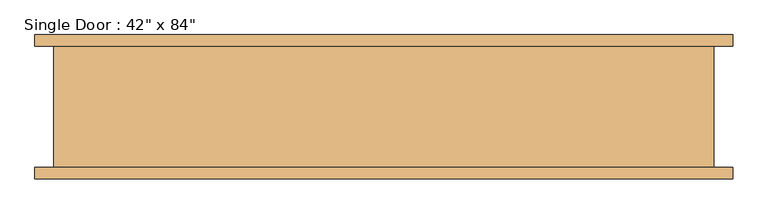
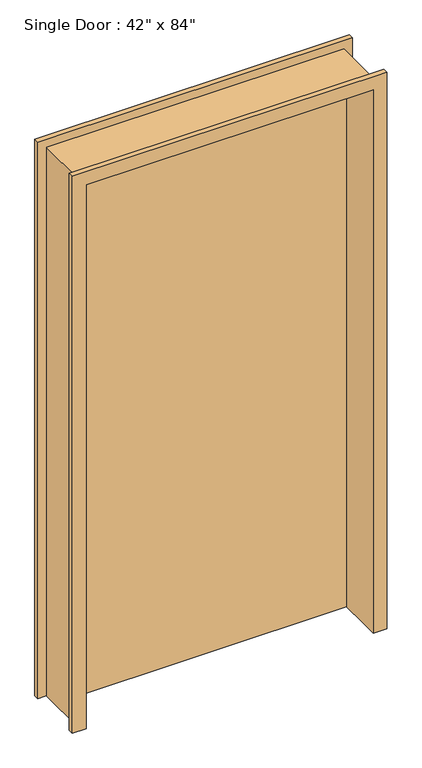
"""IFC4 building model written with IfcOpenShell, lengths in millimetres: door geometry."""

import ifcopenshell
import ifcopenshell.guid

model = None  # the IFC model being written
_history = None  # IfcOwnerHistory: only IFC2X3 demands one
_inside = {}  # id of a spatial element -> (the spatial element, [elements in it])
_under = {}  # id of a project, library or spatial element -> (it, [spatial elements below it])
_declared = {}  # id of a project -> (the project, [libraries it declares])
_typed = {}  # id of a type object -> (the type object, [elements of that type])
_made_of = {}  # id of a material, layer set ... -> (it, [elements and type objects made of it])


def new_model(schema):
    """Start an empty IFC model of exactly this schema.

    Asked for "IFC4X3", IfcOpenShell would pick the latest addendum, in which some entities
    have other attributes; the version numbers below select the first issue.
    IFC2X3 requires an IfcOwnerHistory on every rooted entity: one is made here for all.
    """
    global model, _history
    if schema == "IFC4X3":
        model = ifcopenshell.file(schema_version=(4, 3, 0, 0))
    else:
        model = ifcopenshell.file(schema=schema)
    _inside.clear()
    _under.clear()
    _declared.clear()
    _typed.clear()
    _made_of.clear()
    _history = None
    if model.schema == "IFC2X3":
        org = make("IfcOrganization", Name="unknown")
        user = make(
            "IfcPersonAndOrganization",
            ThePerson=make("IfcPerson", FamilyName="unknown"),
            TheOrganization=org,
        )
        app = make(
            "IfcApplication",
            ApplicationDeveloper=org,
            Version="unknown",
            ApplicationFullName="unknown",
            ApplicationIdentifier="unknown",
        )
        _history = make(
            "IfcOwnerHistory",
            OwningUser=user,
            OwningApplication=app,
            ChangeAction="ADDED",
            CreationDate=0,
        )
    return model


def make(cls, **values):
    """One entity of the class cls with the attributes given. An attribute that is None is left unset."""
    return model.create_entity(
        cls, **{name: value for name, value in values.items() if value is not None}
    )


def rooted(cls, **values):
    """An entity with a GlobalId (a new one), such as an element, a storey or a relation."""
    return make(cls, GlobalId=ifcopenshell.guid.new(), OwnerHistory=_history, **values)


def si_unit(unit_type, name, prefix=None):
    """IfcSIUnit, for example si_unit("LENGTHUNIT", "METRE", prefix="MILLI")."""
    return make("IfcSIUnit", UnitType=unit_type, Prefix=prefix, Name=name)


def assignment(units):
    """IfcUnitAssignment: the units of a project."""
    return None if units is None else make("IfcUnitAssignment", Units=units)


def point(xyz):
    """IfcCartesianPoint."""
    return None if xyz is None else make("IfcCartesianPoint", Coordinates=xyz)


def direction(xyz):
    """IfcDirection."""
    return None if xyz is None else make("IfcDirection", DirectionRatios=xyz)


def frame(location, z_axis=None, x_axis=None):
    """IfcAxis2Placement3D, a coordinate frame: its origin and axes. An axis left out is left unset."""
    return make(
        "IfcAxis2Placement3D",
        Location=point(location),
        Axis=direction(z_axis),
        RefDirection=direction(x_axis),
    )


def origin():
    """The frame at (0, 0, 0) with its axes left unset."""
    return frame((0.0, 0.0, 0.0))


def origin_with_axes():
    """The frame at (0, 0, 0) with the z axis (0, 0, 1) and the x axis (1, 0, 0) written out."""
    return frame((0.0, 0.0, 0.0), z_axis=(0.0, 0.0, 1.0), x_axis=(1.0, 0.0, 0.0))


def place(relative_to, where):
    """IfcLocalPlacement: puts the frame where relative to a parent placement (None: the world)."""
    return make(
        "IfcLocalPlacement", PlacementRelTo=relative_to, RelativePlacement=where
    )


def context(
    kind, dimensions, precision=None, world=None, true_north=None, identifier=None
):
    """IfcGeometricRepresentationContext, for example the 3D "Model" context."""
    return make(
        "IfcGeometricRepresentationContext",
        ContextIdentifier=identifier,
        ContextType=kind,
        CoordinateSpaceDimension=dimensions,
        Precision=precision,
        WorldCoordinateSystem=world,
        TrueNorth=true_north,
    )


def project(units=None, contexts=None):
    """IfcProject with its units and contexts."""
    return rooted(
        "IfcProject",
        Name="project",
        RepresentationContexts=contexts,
        UnitsInContext=assignment(units),
    )


def spatial(cls, under=None, at=None, **own):
    """A site, building, storey or space (cls), placed at a placement, below another one or the project."""
    s = rooted(cls, ObjectPlacement=at, **own)
    if under is not None:
        _under.setdefault(under.id(), (under, []))[1].append(s)
    return s


def polyline(points):
    """IfcPolyline through the points."""
    return make("IfcPolyline", Points=[point(p) for p in points])


def outline(outer, holes=None, kind="AREA"):
    """IfcArbitraryClosedProfileDef: a profile drawn as a closed curve; with holes, ...WithVoids."""
    if holes is None:
        return make("IfcArbitraryClosedProfileDef", ProfileType=kind, OuterCurve=outer)
    return make(
        "IfcArbitraryProfileDefWithVoids",
        ProfileType=kind,
        OuterCurve=outer,
        InnerCurves=holes,
    )


def extrude(swept, where, along, depth):
    """IfcExtrudedAreaSolid: the profile swept, set in the frame where, extruded along a direction by depth."""
    return make(
        "IfcExtrudedAreaSolid",
        SweptArea=swept,
        Position=where,
        ExtrudedDirection=direction(along),
        Depth=depth,
    )


def faces_of(points, faces, orient=None, outer=None):
    """IfcFace entities. A face is a list of loops; a loop is a list of indices into points, from 0.

    orient and outer hold one flag for each loop. By default every Orientation is true, the
    first loop of a face is its IfcFaceOuterBound and the others are IfcFaceBound.
    """
    made = []
    for i, loops in enumerate(faces):
        bounds = []
        for j, loop in enumerate(loops):
            is_outer = j == 0 if outer is None else outer[i][j]
            bounds.append(
                make(
                    "IfcFaceOuterBound" if is_outer else "IfcFaceBound",
                    Bound=make("IfcPolyLoop", Polygon=[points[k] for k in loop]),
                    Orientation=True if orient is None else orient[i][j],
                )
            )
        made.append(make("IfcFace", Bounds=bounds))
    return made


def faceted_brep(points, faces, orient=None, outer=None, voids=None):
    """IfcFacetedBrep: a solid bounded by flat faces; with voids (closed shells), ...WithVoids."""
    shared = [point(p) for p in points]
    hull = make("IfcClosedShell", CfsFaces=faces_of(shared, faces, orient, outer))
    if voids is None:
        return make("IfcFacetedBrep", Outer=hull)
    return make(
        "IfcFacetedBrepWithVoids",
        Outer=hull,
        Voids=[
            make(cls, CfsFaces=faces_of(shared, fs, o, b)) for cls, fs, o, b in voids
        ],
    )


def shape(context_of_items, identifier, shape_type, items):
    """IfcShapeRepresentation: the items that make up one representation, for example the "Body"."""
    return make(
        "IfcShapeRepresentation",
        ContextOfItems=context_of_items,
        RepresentationIdentifier=identifier,
        RepresentationType=shape_type,
        Items=items,
    )


def source(mapping_origin, context_of_items, identifier, shape_type, items):
    """IfcRepresentationMap: a shape defined once, which mapped items show again and again."""
    return make(
        "IfcRepresentationMap",
        MappingOrigin=mapping_origin,
        MappedRepresentation=shape(context_of_items, identifier, shape_type, items),
    )


def transform(
    local_origin,
    x_axis=None,
    y_axis=None,
    z_axis=None,
    scale=None,
    scale2=None,
    scale3=None,
    uniform=True,
):
    """IfcCartesianTransformationOperator3D, or its non-uniform kind. x_axis, y_axis, z_axis: its Axis1, 2, 3."""
    if uniform:
        return make(
            "IfcCartesianTransformationOperator3D",
            Axis1=direction(x_axis),
            Axis2=direction(y_axis),
            LocalOrigin=point(local_origin),
            Scale=scale,
            Axis3=direction(z_axis),
        )
    return make(
        "IfcCartesianTransformationOperator3DnonUniform",
        Axis1=direction(x_axis),
        Axis2=direction(y_axis),
        LocalOrigin=point(local_origin),
        Scale=scale,
        Axis3=direction(z_axis),
        Scale2=scale2,
        Scale3=scale3,
    )


def mapped(mapping_source, mapping_target):
    """IfcMappedItem: shows the shape of a source again, moved by a transform."""
    return make(
        "IfcMappedItem", MappingSource=mapping_source, MappingTarget=mapping_target
    )


def made_of(thing, what):
    """Note that an element or type object is made of a material, layer set ...; save() writes the relation."""
    if what is not None:
        _made_of.setdefault(what.id(), (what, []))[1].append(thing)
    return thing


def element(
    cls,
    number,
    at=None,
    inside=None,
    cuts=None,
    type_object=None,
    material=None,
    context=None,
    identifier="Body",
    shape_type=None,
    held_by="IfcProductDefinitionShape",
    body=None,
    shapes=None,
    **own,
):
    """One element of the class cls, such as IfcWall. Its Tag is "e" and its number.

    at: its placement. inside: the storey or other place that contains it. cuts: it is an
    opening in that element (IfcRelVoidsElement). A single representation is given by context,
    identifier, shape_type and body (its items); several are given by shapes. held_by: the class
    of the entity that holds the representations. save() writes the other relations.
    """
    e = rooted(cls, Tag="e%d" % number, ObjectPlacement=at, **own)
    if body is not None:
        shapes = [shape(context, identifier, shape_type, body)]
    if shapes is not None:
        e.Representation = make(held_by, Representations=shapes)
    if inside is not None:
        _inside.setdefault(inside.id(), (inside, []))[1].append(e)
    if cuts is not None:
        rooted(
            "IfcRelVoidsElement", RelatingBuildingElement=cuts, RelatedOpeningElement=e
        )
    if type_object is not None:
        _typed.setdefault(type_object.id(), (type_object, []))[1].append(e)
    return made_of(e, material)


def aggregate(whole, parts):
    """IfcRelAggregates: a whole, such as a stair, and the parts it consists of."""
    return rooted("IfcRelAggregates", RelatingObject=whole, RelatedObjects=parts)


def save(model, path):
    """Write the relations noted so far, then the file.

    IfcRelAggregates (storeys below a building ...), IfcRelContainedInSpatialStructure (elements
    in a storey), IfcRelDefinesByType, IfcRelAssociatesMaterial and IfcRelDeclares: one each for
    every whole, place, type object, material and project.
    """
    for whole, parts in _under.values():
        aggregate(whole, parts)
    for where, things in _inside.values():
        rooted(
            "IfcRelContainedInSpatialStructure",
            RelatedElements=things,
            RelatingStructure=where,
        )
    for kind, things in _typed.values():
        rooted("IfcRelDefinesByType", RelatedObjects=things, RelatingType=kind)
    for what, things in _made_of.values():
        rooted("IfcRelAssociatesMaterial", RelatedObjects=things, RelatingMaterial=what)
    for by, libraries in _declared.values():
        rooted("IfcRelDeclares", RelatingContext=by, RelatedDefinitions=libraries)
    model.write(path)


def door_d8e708ff(model_context):
    return source(origin(), model_context, "Body", "SolidModel", [
        faceted_brep([(-584.2, -101.6, 0.0), (-552.45, -101.6, 0.0), (-552.45, 101.6, 0.0), (-584.2, 101.6, 0.0), (-584.2, 120.65, 0.0), (-533.4, 120.65, 0.0), (-533.4, -120.65, 0.0), (-584.2, -120.65, 0.0), (-584.2, -101.6, 2184.4), (584.2, -101.6, 2184.4), (584.2, -101.6, 0.0), (552.45, -101.6, 0.0), (552.45, -101.6, 2152.65), (-552.45, -101.6, 2152.65), (-552.45, 101.6, 2152.65), (552.45, 101.6, 2152.65), (552.45, 101.6, 0.0), (584.2, 101.6, 0.0), (584.2, 101.6, 2184.4), (-584.2, 101.6, 2184.4), (-584.2, 120.65, 2184.4), (584.2, 120.65, 2184.4), (584.2, 120.65, 0.0), (533.4, 120.65, 0.0), (533.4, 120.65, 2133.6), (-533.4, 120.65, 2133.6), (-533.4, -120.65, 2133.6), (533.4, -120.65, 2133.6), (533.4, -120.65, 0.0), (584.2, -120.65, 0.0), (584.2, -120.65, 2184.4), (-584.2, -120.65, 2184.4)], [[[0, 1, 2, 3, 4, 5, 6, 7]], [[1, 0, 8, 9, 10, 11, 12, 13]], [[2, 1, 13, 14]], [[3, 2, 14, 15, 16, 17, 18, 19]], [[4, 3, 19, 20]], [[5, 4, 20, 21, 22, 23, 24, 25]], [[6, 5, 25, 26]], [[7, 6, 26, 27, 28, 29, 30, 31]], [[0, 7, 31, 8]], [[13, 12, 15, 14]], [[19, 18, 21, 20]], [[25, 24, 27, 26]], [[9, 8, 31, 30]], [[11, 10, 29, 28, 23, 22, 17, 16]], [[12, 11, 16, 15]], [[18, 17, 22, 21]], [[24, 23, 28, 27]], [[10, 9, 30, 29]]]),
        extrude(outline(polyline([(533.4, 50.8), (-533.4, 50.8), (-533.4, 101.6), (533.4, 101.6), (533.4, 50.8)])), origin_with_axes(), (0.0, 0.0, 1.0), 2133.6),
    ])


if __name__ == "__main__":
    model = new_model("IFC4")
    model_context = context("Model", 3, world=origin())
    ifc_project = project(units=[si_unit("LENGTHUNIT", "METRE", prefix="MILLI")], contexts=[model_context])
    site = spatial("IfcSite", under=ifc_project)
    building = spatial("IfcBuilding", under=site)
    placement = place(None, origin())
    door_shape = door_d8e708ff(model_context)
    element("IfcDoor", 1, ObjectType="Single Door : 42\" x 84\"", at=placement, inside=building, context=model_context, shape_type="MappedRepresentation", body=[
        mapped(door_shape, transform((0.0, 0.0, 0.0), x_axis=(1.0, 0.0, 0.0), y_axis=(0.0, 1.0, 0.0), z_axis=(0.0, 0.0, 1.0))),
    ])
    save(model, "model.ifc")
